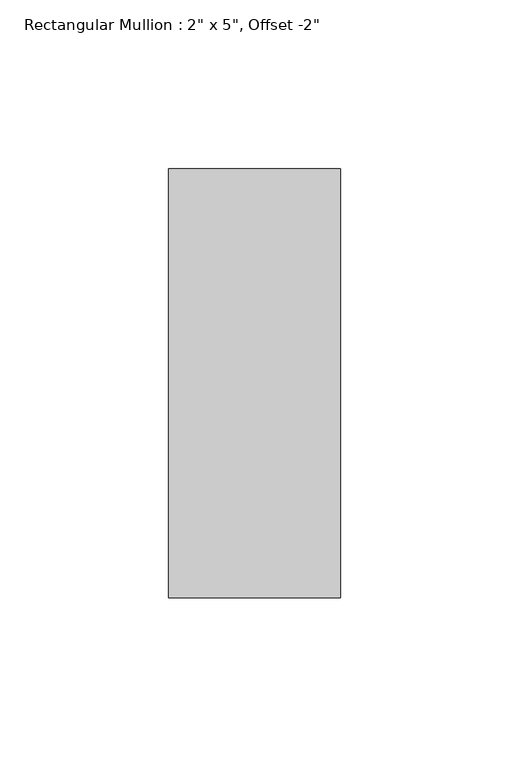
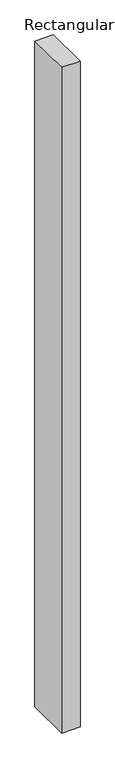
"""IFC4 building model written with IfcOpenShell, lengths in millimetres: member geometry."""

from ifc_helpers import new_model, si_unit, frame, origin, place, context, project, spatial, polyline, outline, extrude, source, transform, mapped, element, save


def member_6622e9f2(model_context):
    return source(origin(), model_context, "Body", "SweptSolid", [
        extrude(outline(polyline([(0.0, 12.7), (0.0, -114.3), (-50.8, -114.3), (-50.8, 12.7), (0.0, 12.7)])), frame((0.0, 0.0, -1936.75), z_axis=(0.0, 0.0, 1.0), x_axis=(1.0, 0.0, 0.0)), (0.0, 0.0, 1.0), 1936.75),
    ])


if __name__ == "__main__":
    model = new_model("IFC4")
    model_context = context("Model", 3, world=origin())
    ifc_project = project(units=[si_unit("LENGTHUNIT", "METRE", prefix="MILLI")], contexts=[model_context])
    site = spatial("IfcSite", under=ifc_project)
    building = spatial("IfcBuilding", under=site)
    placement = place(None, origin())
    member_shape = member_6622e9f2(model_context)
    element("IfcMember", 1, ObjectType="Rectangular Mullion : 2\" x 5\", Offset -2\"", at=placement, inside=building, context=model_context, shape_type="MappedRepresentation", body=[
        mapped(member_shape, transform((0.0, 0.0, 0.0), x_axis=(1.0, 0.0, 0.0), y_axis=(0.0, 1.0, 0.0), z_axis=(0.0, 0.0, 1.0))),
    ])
    save(model, "model.ifc")
